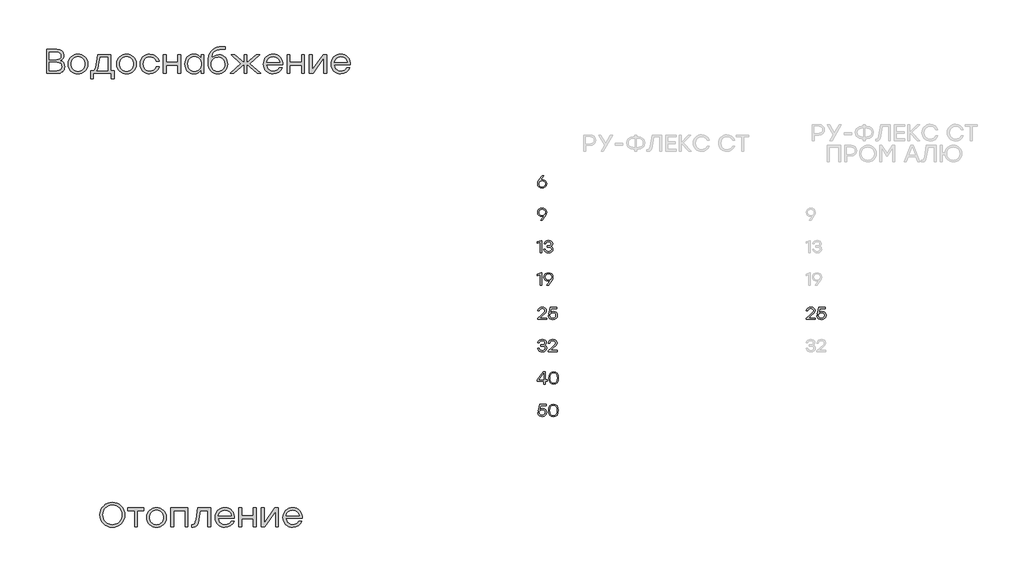
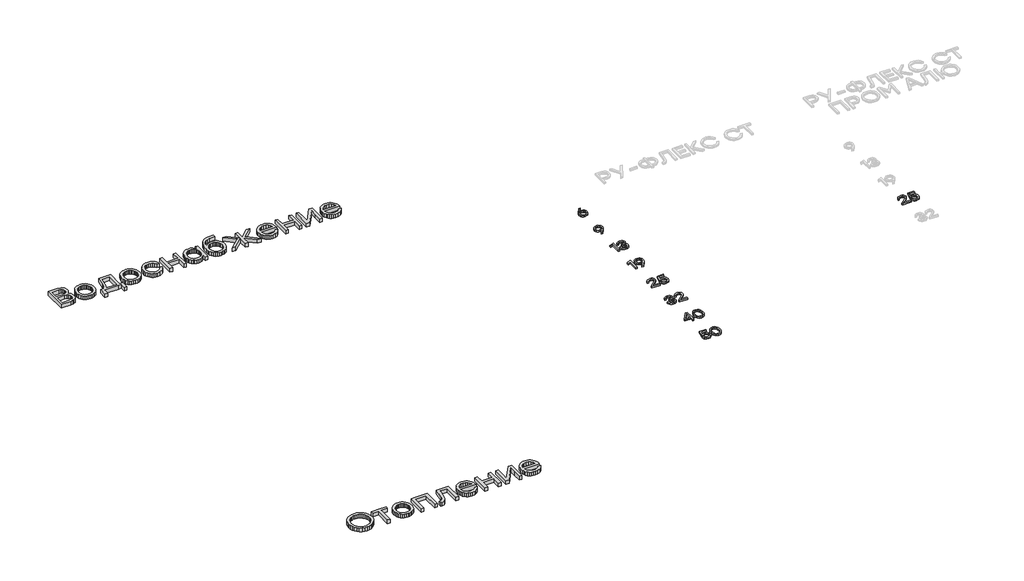
# One storey, part 31 of 41: 11 proxies.
"""IFC4 building model written with IfcOpenShell, lengths in millimetres."""

from ifc_helpers import new_model, si_unit, origin, origin_with_axes, place, context, project, spatial, polyline, outline, extrude, element, save

model = new_model("IFC4")

# Units and contexts
model_context = context("Model", 3, world=origin())
ifc_project = project(units=[si_unit("LENGTHUNIT", "METRE", prefix="MILLI")], contexts=[model_context])

# Site, building, storey
site = spatial("IfcSite", under=ifc_project)
building = spatial("IfcBuilding", under=site)
storey = spatial("IfcBuildingStorey", under=building, Elevation=0.0)

# Proxies
placement = place(None, origin())
element("IfcBuildingElementProxy", 1, Name="Generic Models", at=placement, inside=storey, context=model_context, shape_type="SweptSolid", body=[
    extrude(outline(polyline([(10092.445318, -12422.0569735), (10092.445318, -12439.2021618), (9979.9325406, -12439.2021618), (9979.9325406, -12426.3331851), (10023.4208067, -12388.4120626), (10062.10842, -12352.4273378), (10068.4622251, -12342.4629577), (10070.5801602, -12331.8531118), (10068.2756451, -12320.577629), (10061.3621001, -12311.6016187), (10050.5908876, -12305.731913), (10036.7133704, -12303.7753444), (10022.7803835, -12305.8378097), (10011.8427618, -12312.0252057), (10003.9660606, -12321.9643722), (9999.2158349, -12335.2821494), (9981.2234725, -12335.2821494), (9987.4209538, -12315.2827915), (9999.6394219, -12299.9025489), (10016.7392259, -12290.0995353), (10037.5807152, -12286.8318641), (10058.1246851, -12289.9936386), (10074.3319308, -12299.4789619), (10084.8610935, -12313.7346818), (10088.3708145, -12331.2076458), (10085.8242497, -12345.8466111), (10078.1845555, -12358.9425094), (10037.9841314, -12397.2065357), (10009.2608982, -12422.0569735), (10092.445318, -12422.0569735)])), origin_with_axes(), (0.0, 0.0, 1.0), 20.0),
    extrude(outline(polyline([(10173.5319737, -12340.203827), (10193.4203922, -12343.577395), (10209.8394314, -12353.6980988), (10220.8526936, -12369.3960316), (10224.523781, -12389.5012863), (10220.6156866, -12410.20158), (10208.8914034, -12426.877797), (10191.3276707, -12437.8759311), (10169.9012279, -12441.5419758), (10148.9437565, -12438.4911408), (10131.0925897, -12429.3386358), (10118.072332, -12414.6089019), (10111.6075874, -12394.8263801), (10129.5999498, -12394.8263801), (10134.748549, -12407.5289477), (10143.7396875, -12416.9134169), (10155.7362767, -12422.7074821), (10169.9012279, -12424.6388371), (10184.3889121, -12422.1174859), (10196.1434515, -12414.5534322), (10203.9344269, -12403.2476933), (10206.5314186, -12389.5012863), (10203.9596404, -12375.558214), (10196.2443056, -12364.6306778), (10184.5654067, -12357.5658516), (10170.102936, -12355.2109096), (10149.1051229, -12360.0821602), (10134.5216274, -12374.6959119), (10117.376439, -12374.6959119), (10135.6108512, -12289.2120197), (10217.4639976, -12289.2120197), (10217.4639976, -12306.1151584), (10149.0849521, -12306.1151584), (10139.2415969, -12352.830754), (10154.6722665, -12343.3605588), (10173.5319737, -12340.203827)])), origin_with_axes(), (0.0, 0.0, 1.0), 20.0),
])
element("IfcBuildingElementProxy", 2, Name="Generic Models", at=placement, inside=storey, context=model_context, shape_type="SweptSolid", body=[
    extrude(outline(polyline([(1295.7321962, -14745.5573715), (1319.2916028, -14726.2504929), (1345.4386326, -14712.4598654), (1374.1732856, -14704.1854888), (1405.4955619, -14701.4273633), (1436.7902568, -14704.1854888), (1465.4421661, -14712.4598654), (1491.4512896, -14726.2504929), (1514.8176275, -14745.5573715), (1534.1069543, -14768.9663349), (1547.8850449, -14795.0632169), (1556.1518993, -14823.8480177), (1558.9075174, -14855.3207371), (1556.136855, -14886.7909492), (1547.8248677, -14915.5682278), (1533.9715554, -14941.6525729), (1514.5769183, -14965.0439846), (1491.1077777, -14984.3333115), (1465.0309547, -14998.1114021), (1436.3464494, -15006.3782565), (1405.0542618, -15009.1338746), (1373.7620742, -15006.3782565), (1345.0775689, -14998.1114021), (1319.0007459, -14984.3333115), (1295.5316052, -14965.0439846), (1276.1369681, -14941.6525729), (1262.2836559, -14915.5682278), (1253.9716686, -14886.7909492), (1251.2010062, -14855.3207371), (1253.9842055, -14823.8480177), (1262.3338037, -14795.0632169), (1276.2498005, -14768.9663349), (1295.7321962, -14745.5573715)]), holes=[polyline([(1405.09438, -14735.1266423), (1381.1287767, -14737.2829949), (1359.1389942, -14743.7520529), (1339.1250326, -14754.5338163), (1321.0868918, -14769.628285), (1306.1679402, -14787.9196719), (1295.5115461, -14808.2921898), (1289.1177097, -14830.7458389), (1286.9864309, -14855.280619), (1289.1177097, -14879.8179064), (1295.5115461, -14902.2790776), (1306.1679402, -14922.6641325), (1321.0868918, -14940.9730711), (1339.1250326, -14956.0850915), (1359.1389942, -14966.8793918), (1381.1287767, -14973.355972), (1405.09438, -14975.514832), (1429.220456, -14973.3710163), (1451.2904749, -14966.9395691), (1471.3044365, -14956.2204904), (1489.262341, -14941.2137803), (1504.0759823, -14922.9825706), (1514.6571547, -14902.5899936), (1521.0058582, -14880.0360491), (1523.1220926, -14855.3207371), (1521.0058582, -14830.6054252), (1514.6571547, -14808.0514807), (1504.0759823, -14787.6589036), (1489.262341, -14769.427694), (1471.3044365, -14754.4209839), (1451.2904749, -14743.7019052), (1429.220456, -14737.270458), (1405.09438, -14735.1266423)])]), origin_with_axes(), (0.0, 0.0, 1.0), 50.0),
    extrude(outline(polyline([(1794.4012881, -14770.0294669), (1794.4012881, -14803.3275639), (1713.3625459, -14803.3275639), (1713.3625459, -15004.4801646), (1677.978303, -15004.4801646), (1677.978303, -14803.3275639), (1597.0197972, -14803.3275639), (1597.0197972, -14770.0294669), (1713.3625459, -14770.0294669), (1794.4012881, -14770.0294669)])), origin_with_axes(), (0.0, 0.0, 1.0), 50.0),
    extrude(outline(polyline([(1949.578444, -14765.3757569), (1973.9602735, -14767.5471539), (1996.3963708, -14774.0613449), (2016.8867359, -14784.9183298), (2035.4313689, -14800.1181088), (2050.8066649, -14818.5950423), (2061.7890192, -14839.283491), (2068.3784318, -14862.1834549), (2070.5749027, -14887.2949339), (2068.3909687, -14912.4039056), (2061.839167, -14935.2963473), (2050.9194973, -14955.9722591), (2035.6319599, -14974.4316409), (2017.1500116, -14989.6138682), (1996.6471095, -15000.4583162), (1974.1232536, -15006.964985), (1949.578444, -15009.1338746), (1925.174048, -15006.9499407), (1902.7504876, -15000.3981389), (1882.3077628, -14989.4784693), (1863.8458736, -14974.1909318), (1848.5583362, -14955.653821), (1837.6386665, -14934.9854314), (1831.0868648, -14912.185763), (1828.9029308, -14887.2548158), (1831.1019091, -14862.3238685), (1837.6988438, -14839.5242001), (1848.693735, -14818.8558105), (1864.0865828, -14800.3186997), (1882.6236936, -14785.0311623), (1903.051374, -14774.1114926), (1925.3696242, -14767.5596909), (1949.578444, -14765.3757569)]), holes=[polyline([(2010.0766733, -14824.0285496), (1997.0257249, -14813.1113873), (1982.5856842, -14805.3134143), (1966.7565511, -14800.6346305), (1949.5383258, -14799.0750359), (1932.3326374, -14800.6321231), (1916.5411152, -14805.3033847), (1902.1637591, -14813.0888208), (1889.2005692, -14823.9884314), (1878.4764758, -14837.2851037), (1870.816409, -14852.2617252), (1866.220369, -14868.9182959), (1864.6883556, -14887.2548158), (1866.220369, -14905.593843), (1870.816409, -14922.2579358), (1878.4764758, -14937.2470943), (1889.2005692, -14950.5613183), (1902.1662665, -14961.4784806), (1916.5511447, -14969.2764536), (1932.3552039, -14973.9552374), (1949.578444, -14975.514832), (1966.9420978, -14973.9552374), (1982.8464524, -14969.2764536), (1997.2915079, -14961.4784806), (2010.2772643, -14950.5613183), (2021.0013577, -14937.2470943), (2028.6614245, -14922.2579358), (2033.2574645, -14905.593843), (2034.7894779, -14887.2548158), (2033.2449276, -14868.9208033), (2028.6112767, -14852.2717548), (2020.8885253, -14837.3076702), (2010.0766733, -14824.0285496)])]), origin_with_axes(), (0.0, 0.0, 1.0), 50.0),
    extrude(outline(polyline([(2338.5644066, -14770.0294669), (2338.5644066, -15004.4801646), (2303.1801637, -15004.4801646), (2303.1801637, -14803.3275639), (2161.2420103, -14803.3275639), (2161.2420103, -15004.4801646), (2125.8577674, -15004.4801646), (2125.8577674, -14770.0294669), (2161.2420103, -14770.0294669), (2338.5644066, -14770.0294669)])), origin_with_axes(), (0.0, 0.0, 1.0), 50.0),
    extrude(outline(polyline([(2461.1655928, -14770.0294669), (2620.5150404, -14770.0294669), (2620.5150404, -15004.4801646), (2585.1307975, -15004.4801646), (2585.1307975, -14803.3275639), (2490.9332892, -14803.3275639), (2473.5219951, -14913.2514024), (2462.7703204, -14957.481706), (2447.6858813, -14986.9886341), (2427.6067276, -15003.5975645), (2401.8709092, -15009.1338746), (2382.6944147, -15007.8500925), (2382.6944147, -14975.514832), (2395.050817, -14976.3171958), (2411.1682995, -14972.857002), (2422.7724858, -14962.4764205), (2431.3878669, -14942.7282419), (2438.5389341, -14911.1652565), (2461.1655928, -14770.0294669)])), origin_with_axes(), (0.0, 0.0, 1.0), 50.0),
    extrude(outline(polyline([(2795.992, -14765.3757569), (2821.8857838, -14767.6925824), (2845.0063977, -14774.6430586), (2865.3538418, -14786.2271858), (2882.928116, -14802.4449638), (2896.9619601, -14822.313497), (2906.6881136, -14844.8498898), (2912.1065765, -14870.0541421), (2913.2173489, -14897.9262541), (2712.4659301, -14897.9262541), (2720.2488588, -14930.341751), (2728.0518466, -14943.6609898), (2738.4625167, -14955.0545555), (2764.9806398, -14970.7006493), (2797.676964, -14975.9160139), (2821.9384389, -14973.3584794), (2842.2482722, -14965.6858757), (2858.6064638, -14952.8982029), (2871.0130138, -14934.9954609), (2907.6810388, -14934.9954609), (2889.4372922, -14966.9295395), (2863.7516216, -14990.1980893), (2832.2086953, -15004.3999283), (2796.3931819, -15009.1338746), (2771.3519097, -15007.0176401), (2748.6224481, -15000.6689367), (2728.2047972, -14990.0877643), (2710.0989569, -14975.2741229), (2695.2677638, -14957.1306718), (2684.6740545, -14936.5600703), (2678.3178289, -14913.5623183), (2676.199087, -14888.1374159), (2678.305292, -14862.657351), (2684.6239068, -14839.4941115), (2695.1549314, -14818.6476974), (2709.898366, -14800.1181088), (2727.9164477, -14784.9183298), (2748.2714139, -14774.0613449), (2770.9632647, -14767.5471539), (2795.992, -14765.3757569)]), holes=[polyline([(2795.992, -14798.5936176), (2766.8561651, -14803.1771207), (2742.5144538, -14816.9276301), (2724.4512391, -14838.0398271), (2714.150894, -14864.7083934), (2874.86436, -14864.7083934), (2865.1356991, -14837.7890885), (2847.9851732, -14816.7270391), (2824.5561507, -14803.126973), (2795.992, -14798.5936176)])]), origin_with_axes(), (0.0, 0.0, 1.0), 50.0),
    extrude(outline(polyline([(3147.4273375, -14770.0294669), (3182.8115804, -14770.0294669), (3182.8115804, -15004.4801646), (3147.4273375, -15004.4801646), (3147.4273375, -14901.296182), (3003.4030383, -14901.296182), (3003.4030383, -15004.4801646), (2968.0187954, -15004.4801646), (2968.0187954, -14770.0294669), (3003.4030383, -14770.0294669), (3003.4030383, -14867.6771394), (3147.4273375, -14867.6771394), (3147.4273375, -14770.0294669)])), origin_with_axes(), (0.0, 0.0, 1.0), 50.0),
    extrude(outline(polyline([(3413.6516412, -14770.0294669), (3457.1397583, -14770.0294669), (3457.1397583, -15004.4801646), (3421.7555154, -15004.4801646), (3421.7555154, -14891.9887621), (3423.9218976, -14813.1164021), (3288.8038363, -15004.4801646), (3245.3157192, -15004.4801646), (3245.3157192, -14770.0294669), (3280.6999621, -14770.0294669), (3280.6999621, -14882.6011058), (3278.5335799, -14960.9920475), (3413.6516412, -14770.0294669)])), origin_with_axes(), (0.0, 0.0, 1.0), 50.0),
    extrude(outline(polyline([(3633.0178998, -14765.3757569), (3658.9116835, -14767.6925824), (3682.0322974, -14774.6430586), (3702.3797415, -14786.2271858), (3719.9540158, -14802.4449638), (3733.9878599, -14822.313497), (3743.7140134, -14844.8498898), (3749.1324763, -14870.0541421), (3750.2432487, -14897.9262541), (3549.4918298, -14897.9262541), (3557.2747585, -14930.341751), (3565.0777463, -14943.6609898), (3575.4884164, -14955.0545555), (3602.0065395, -14970.7006493), (3634.7028637, -14975.9160139), (3658.9643386, -14973.3584794), (3679.2741719, -14965.6858757), (3695.6323636, -14952.8982029), (3708.0389136, -14934.9954609), (3744.7069385, -14934.9954609), (3726.463192, -14966.9295395), (3700.7775214, -14990.1980893), (3669.2345951, -15004.3999283), (3633.4190817, -15009.1338746), (3608.3778094, -15007.0176401), (3585.6483479, -15000.6689367), (3565.2306969, -14990.0877643), (3547.1248567, -14975.2741229), (3532.2936636, -14957.1306718), (3521.6999543, -14936.5600703), (3515.3437286, -14913.5623183), (3513.2249868, -14888.1374159), (3515.3311917, -14862.657351), (3521.6498065, -14839.4941115), (3532.1808312, -14818.6476974), (3546.9242657, -14800.1181088), (3564.9423475, -14784.9183298), (3585.2973137, -14774.0613449), (3607.9891645, -14767.5471539), (3633.0178998, -14765.3757569)]), holes=[polyline([(3633.0178998, -14798.5936176), (3603.8820649, -14803.1771207), (3579.5403536, -14816.9276301), (3561.4771389, -14838.0398271), (3551.1767938, -14864.7083934), (3711.8902598, -14864.7083934), (3702.1615989, -14837.7890885), (3685.011073, -14816.7270391), (3661.5820505, -14803.126973), (3633.0178998, -14798.5936176)])]), origin_with_axes(), (0.0, 0.0, 1.0), 50.0),
])
element("IfcBuildingElementProxy", 3, Name="Generic Models", at=placement, inside=storey, context=model_context, shape_type="SweptSolid", body=[
    extrude(outline(polyline([(762.3144911, -9241.4529162), (784.8859873, -9251.6379215), (801.0084846, -9267.6701529), (810.681983, -9289.5496103), (813.9064824, -9317.2762938), (812.3468878, -9335.6378876), (807.668104, -9351.8882616), (799.870131, -9366.0274159), (788.9529687, -9378.0553505), (775.0520162, -9387.6561347), (758.3026722, -9394.5138376), (716.2588099, -9400.0), (590.9295868, -9400.0), (590.9295868, -9101.681145), (714.172664, -9101.681145), (753.3982235, -9106.6357414), (768.9114258, -9112.8289868), (781.6915765, -9121.4995305), (791.6784982, -9132.431737), (798.8120137, -9145.4099712), (804.5188261, -9177.5045226), (801.8810552, -9198.9226209), (793.9677424, -9216.7200526), (780.7788877, -9230.8968177), (762.3144911, -9241.4529162)]), holes=[polyline([(768.7334014, -9182.6396508), (765.3233553, -9162.0790789), (755.093217, -9147.255408), (736.9798546, -9138.2889927), (709.920136, -9135.3001876), (626.3138297, -9135.3001876), (626.3138297, -9229.4976958), (709.0375358, -9229.4976958), (736.7592046, -9226.5189203), (755.093217, -9217.5825936), (765.3233553, -9202.8893068), (768.7334014, -9182.6396508)]), polyline([(715.857628, -9366.3007211), (743.2733955, -9363.0812364), (762.8560866, -9353.4227823), (774.6057013, -9337.3253589), (778.5222395, -9314.7889661), (774.7912479, -9291.9316278), (763.5982731, -9275.3527861), (743.9804786, -9265.2730911), (714.9750278, -9261.9131927), (626.3138297, -9261.9131927), (626.3138297, -9366.3007211), (715.857628, -9366.3007211)])]), origin_with_axes(), (0.0, 0.0, 1.0), 50.0),
    extrude(outline(polyline([(978.7120037, -9160.8955923), (1003.0938332, -9163.0669893), (1025.5299305, -9169.5811803), (1046.0202957, -9180.4381652), (1064.5649286, -9195.6379441), (1079.9402246, -9214.1148777), (1090.9225789, -9234.8033264), (1097.5119915, -9257.7032902), (1099.7084624, -9282.8147693), (1097.5245285, -9307.923741), (1090.9727267, -9330.8161827), (1080.0530571, -9351.4920945), (1064.7655196, -9369.9514763), (1046.2835713, -9385.1337035), (1025.7806692, -9395.9781515), (1003.2568133, -9402.4848203), (978.7120037, -9404.6537099), (954.3076077, -9402.469776), (931.8840474, -9395.9179742), (911.4413226, -9384.9983046), (892.9794334, -9369.7107671), (877.6918959, -9351.1736563), (866.7722263, -9330.5052667), (860.2204245, -9307.7055983), (858.0364906, -9282.7746511), (860.2354688, -9257.8437039), (866.8324035, -9235.0440355), (877.8272948, -9214.3756459), (893.2201425, -9195.8385351), (911.7572533, -9180.5509976), (932.1849338, -9169.631328), (954.5031839, -9163.0795262), (978.7120037, -9160.8955923)]), holes=[polyline([(1039.210233, -9219.5483849), (1026.1592846, -9208.6312227), (1011.7192439, -9200.8332496), (995.8901109, -9196.1544658), (978.6718855, -9194.5948712), (961.4661971, -9196.1519584), (945.6746749, -9200.8232201), (931.2973188, -9208.6086562), (918.3341289, -9219.5082667), (907.6100355, -9232.8049391), (899.9499687, -9247.7815606), (895.3539287, -9264.4381313), (893.8219153, -9282.7746511), (895.3539287, -9301.1136784), (899.9499687, -9317.7777712), (907.6100355, -9332.7669297), (918.3341289, -9346.0811537), (931.2998262, -9356.9983159), (945.6847044, -9364.796289), (961.4887636, -9369.4750728), (978.7120037, -9371.0346674), (996.0756575, -9369.4750728), (1011.9800121, -9364.796289), (1026.4250676, -9356.9983159), (1039.410824, -9346.0811537), (1050.1349174, -9332.7669297), (1057.7949842, -9317.7777712), (1062.3910242, -9301.1136784), (1063.9230376, -9282.7746511), (1062.3784873, -9264.4406386), (1057.7448365, -9247.7915901), (1050.022085, -9232.8275055), (1039.210233, -9219.5483849)])]), origin_with_axes(), (0.0, 0.0, 1.0), 50.0),
    extrude(outline(polyline([(1383.9057148, -9366.7821393), (1426.5112317, -9366.7821393), (1426.5112317, -9462.6646116), (1391.1269888, -9462.6646116), (1391.1269888, -9400.0), (1348.5214719, -9400.0), (1169.9152935, -9400.0), (1169.9152935, -9462.6646116), (1134.5310506, -9462.6646116), (1134.5310506, -9366.7821393), (1174.5690035, -9366.7821393), (1183.5454483, -9357.2089364), (1191.2982884, -9341.7283302), (1203.1331542, -9293.0449076), (1223.5934307, -9165.5493022), (1383.9057148, -9165.5493022), (1383.9057148, -9366.7821393)]), holes=[polyline([(1214.2057744, -9366.7821393), (1348.5214719, -9366.7821393), (1348.5214719, -9198.8473993), (1253.8425453, -9198.8473993), (1238.5173971, -9293.8472713), (1228.1869633, -9338.518875), (1214.2057744, -9366.7821393)])]), origin_with_axes(), (0.0, 0.0, 1.0), 50.0),
    extrude(outline(polyline([(1579.5220054, -9160.8955923), (1603.9038349, -9163.0669893), (1626.3399322, -9169.5811803), (1646.8302973, -9180.4381652), (1665.3749303, -9195.6379441), (1680.7502263, -9214.1148777), (1691.7325806, -9234.8033264), (1698.3219932, -9257.7032902), (1700.518464, -9282.8147693), (1698.3345301, -9307.923741), (1691.7827283, -9330.8161827), (1680.8630587, -9351.4920945), (1665.5755212, -9369.9514763), (1647.0935729, -9385.1337035), (1626.5906709, -9395.9781515), (1604.066815, -9402.4848203), (1579.5220054, -9404.6537099), (1555.1176094, -9402.469776), (1532.694049, -9395.9179742), (1512.2513242, -9384.9983046), (1493.789435, -9369.7107671), (1478.5018975, -9351.1736563), (1467.5822279, -9330.5052667), (1461.0304261, -9307.7055983), (1458.8464922, -9282.7746511), (1461.0454705, -9257.8437039), (1467.6424052, -9235.0440355), (1478.6372964, -9214.3756459), (1494.0301442, -9195.8385351), (1512.567255, -9180.5509976), (1532.9949354, -9169.631328), (1555.3131856, -9163.0795262), (1579.5220054, -9160.8955923)]), holes=[polyline([(1640.0202347, -9219.5483849), (1626.9692863, -9208.6312227), (1612.5292455, -9200.8332496), (1596.7001125, -9196.1544658), (1579.4818872, -9194.5948712), (1562.2761988, -9196.1519584), (1546.4846766, -9200.8232201), (1532.1073205, -9208.6086562), (1519.1441306, -9219.5082667), (1508.4200372, -9232.8049391), (1500.7599704, -9247.7815606), (1496.1639303, -9264.4381313), (1494.631917, -9282.7746511), (1496.1639303, -9301.1136784), (1500.7599704, -9317.7777712), (1508.4200372, -9332.7669297), (1519.1441306, -9346.0811537), (1532.1098279, -9356.9983159), (1546.4947061, -9364.796289), (1562.2987653, -9369.4750728), (1579.5220054, -9371.0346674), (1596.8856591, -9369.4750728), (1612.7900138, -9364.796289), (1627.2350693, -9356.9983159), (1640.2208257, -9346.0811537), (1650.9449191, -9332.7669297), (1658.6049859, -9317.7777712), (1663.2010259, -9301.1136784), (1664.7330393, -9282.7746511), (1663.188489, -9264.4406386), (1658.5548381, -9247.7915901), (1650.8320867, -9232.8275055), (1640.0202347, -9219.5483849)])]), origin_with_axes(), (0.0, 0.0, 1.0), 50.0),
    extrude(outline(polyline([(1867.4903676, -9404.6537099), (1842.7474744, -9402.4848203), (1820.1107861, -9395.9781515), (1799.5803028, -9385.1337035), (1781.1560244, -9369.9514763), (1765.9562454, -9351.4920945), (1755.0992605, -9330.8161827), (1748.5850695, -9307.923741), (1746.4136725, -9282.8147693), (1748.5850695, -9257.7032902), (1755.0992605, -9234.8033264), (1765.9562454, -9214.1148777), (1781.1560244, -9195.6379441), (1799.5803028, -9180.4381652), (1820.1107861, -9169.5811803), (1842.7474744, -9163.0669893), (1867.4903676, -9160.8955923), (1906.6758089, -9166.7528479), (1924.3654229, -9174.0744174), (1940.7862992, -9184.3246148), (1955.1561331, -9197.0521103), (1966.6926199, -9211.8055744), (1975.3957596, -9228.585007), (1981.2655522, -9247.3904082), (1944.5975272, -9247.3904082), (1933.304257, -9225.2351382), (1915.6321946, -9208.1949374), (1893.1660086, -9197.3329376), (1867.4903676, -9193.7122711), (1849.7656501, -9195.2844026), (1833.6607045, -9200.0007972), (1819.1755308, -9207.8614549), (1806.310129, -9218.8663757), (1795.7615526, -9232.2959395), (1788.2268552, -9247.4305264), (1783.7060368, -9264.2701363), (1782.1990973, -9282.8147693), (1783.7060368, -9301.3568949), (1788.2268552, -9318.1889826), (1795.7615526, -9333.3110326), (1806.310129, -9346.7230447), (1819.1755308, -9357.7104138), (1833.6607045, -9365.5585346), (1849.7656501, -9370.267407), (1867.4903676, -9371.8370312), (1893.1158609, -9368.2163646), (1915.4316037, -9357.3543649), (1933.0535183, -9340.314164), (1944.5975272, -9318.158894), (1981.2655522, -9318.158894), (1975.1876465, -9337.1272753), (1966.3415858, -9353.9944665), (1954.72737, -9368.7604675), (1940.3449992, -9381.4252784), (1906.3648929, -9398.8466021), (1867.4903676, -9404.6537099)])), origin_with_axes(), (0.0, 0.0, 1.0), 50.0),
    extrude(outline(polyline([(2212.5067948, -9165.5493022), (2247.8910377, -9165.5493022), (2247.8910377, -9400.0), (2212.5067948, -9400.0), (2212.5067948, -9296.8160173), (2068.4824955, -9296.8160173), (2068.4824955, -9400.0), (2033.0982526, -9400.0), (2033.0982526, -9165.5493022), (2068.4824955, -9165.5493022), (2068.4824955, -9263.1969748), (2212.5067948, -9263.1969748), (2212.5067948, -9165.5493022)])), origin_with_axes(), (0.0, 0.0, 1.0), 50.0),
    extrude(outline(polyline([(2500.9565752, -9165.5493022), (2536.2605817, -9165.5493022), (2536.2605817, -9400.0), (2500.9565752, -9400.0), (2500.9565752, -9352.6605367), (2484.5582654, -9374.3544475), (2463.6065411, -9390.8129347), (2438.7232342, -9401.1935161), (2410.5301767, -9404.6537099), (2387.7129566, -9402.5098942), (2367.0019414, -9396.078447), (2348.3971312, -9385.3593683), (2331.8985259, -9370.3526582), (2318.3837109, -9352.0161383), (2308.7302716, -9331.3076305), (2302.938208, -9308.2271348), (2301.0075202, -9282.7746511), (2302.938208, -9257.3221674), (2308.7302716, -9234.2416717), (2318.3837109, -9213.5331639), (2331.8985259, -9195.1966441), (2348.3971312, -9180.1899339), (2367.0019414, -9169.4708552), (2387.7129566, -9163.039408), (2410.5301767, -9160.8955923), (2438.7834115, -9164.4159634), (2463.8472502, -9174.9770767), (2484.8591518, -9191.7163911), (2500.9565752, -9213.7713657), (2500.9565752, -9165.5493022)]), holes=[polyline([(2417.3502689, -9371.0346674), (2434.7089079, -9369.4750728), (2450.5179818, -9364.796289), (2464.7774907, -9356.9983159), (2477.4874345, -9346.0811537), (2487.9307007, -9332.7669297), (2495.3901765, -9317.7777712), (2499.865862, -9301.1136784), (2501.3577571, -9282.7746511), (2499.865862, -9264.4381313), (2495.3901765, -9247.7815606), (2487.9307007, -9232.8049391), (2477.4874345, -9219.5082667), (2464.7774907, -9208.6086562), (2450.5179818, -9200.8232201), (2434.7089079, -9196.1519584), (2417.3502689, -9194.5948712), (2400.2950237, -9196.1519584), (2384.9147129, -9200.8232201), (2371.2093365, -9208.6086562), (2359.1788946, -9219.5082667), (2349.3850416, -9232.8049391), (2342.3894324, -9247.7815606), (2336.792945, -9282.7746511), (2342.4496097, -9318.0786576), (2349.5204405, -9333.0828604), (2359.4196037, -9346.3218628), (2371.5252673, -9357.1337148), (2385.2155994, -9364.8564662), (2400.4905999, -9369.4901171), (2417.3502689, -9371.0346674)])]), origin_with_axes(), (0.0, 0.0, 1.0), 50.0),
    extrude(outline(polyline([(2719.4402337, -9169.4006484), (2741.8587793, -9171.3864988), (2762.2563711, -9177.3440499), (2780.6330092, -9187.2733017), (2796.9886934, -9201.1742543), (2810.4157499, -9218.2445438), (2820.0065045, -9237.6818064), (2825.7609573, -9259.4860423), (2827.6791082, -9283.6572513), (2825.5628737, -9309.2451338), (2819.2141703, -9332.3306443), (2808.6329979, -9352.9137828), (2793.8193565, -9370.9945492), (2775.8062895, -9385.720432), (2755.6268404, -9396.2389198), (2733.281009, -9402.5500124), (2708.7687954, -9404.6537099), (2684.0685277, -9402.4447022), (2661.5597162, -9395.8176788), (2641.2423608, -9384.7726398), (2623.1164614, -9369.3095853), (2608.1849728, -9349.7695197), (2597.4508498, -9326.4934478), (2590.9140924, -9299.4813695), (2588.5747005, -9268.7332849), (2590.9216145, -9221.694708), (2597.9623568, -9181.9977598), (2609.0550361, -9149.4418493), (2623.5577615, -9123.8263855), (2642.5838127, -9104.0180295), (2667.2464695, -9088.8834426), (2695.5297929, -9078.1618566), (2725.4178439, -9071.5925031), (2799.9975576, -9067.0992659), (2799.9975576, -9100.397363), (2724.7759529, -9105.291782), (2697.1946978, -9112.3726424), (2672.7827796, -9123.8263855), (2652.9443351, -9140.2347248), (2639.0835007, -9162.1793743), (2630.1872922, -9190.522875), (2625.2427254, -9226.1277679), (2641.2097647, -9201.9866476), (2663.5957143, -9184.1240238), (2690.3545465, -9173.0814923), (2719.4402337, -9169.4006484)]), holes=[polyline([(2647.7891478, -9349.531318), (2660.3386188, -9360.2378597), (2674.4777731, -9367.8853895), (2690.2066107, -9372.4739074), (2707.5251315, -9374.0034134), (2724.8912927, -9372.4714), (2740.7630513, -9367.87536), (2755.1404073, -9360.2152932), (2768.0233608, -9349.4911998), (2778.642144, -9336.2898081), (2786.2269892, -9321.1978468), (2790.7778963, -9304.2153159), (2792.2948653, -9285.3422152), (2786.5980824, -9250.9709566), (2779.4771039, -9236.4707386), (2769.5077338, -9223.7607948), (2757.3268486, -9213.4228389), (2743.5713245, -9206.0385847), (2728.2411615, -9201.6080322), (2711.3363595, -9200.1311813), (2678.0984397, -9206.0385847), (2663.3901086, -9213.4228389), (2649.95553, -9223.7607948), (2638.7575404, -9236.4456647), (2630.7589764, -9250.8706611), (2625.9598381, -9267.035784), (2624.3601253, -9284.9410333), (2625.8244392, -9303.9921584), (2630.2173809, -9321.1075809), (2637.5389504, -9336.2873008), (2647.7891478, -9349.531318)])]), origin_with_axes(), (0.0, 0.0, 1.0), 50.0),
    extrude(outline(polyline([(3238.8103113, -9400.0), (3192.3534481, -9400.0), (3067.1044614, -9286.6259973), (3067.1044614, -9400.0), (3031.7202185, -9400.0), (3031.7202185, -9286.6259973), (2906.3909954, -9400.0), (2859.9341323, -9400.0), (2994.1695934, -9276.8371591), (2870.6055706, -9165.5493022), (2917.0624338, -9165.5493022), (3031.7202185, -9270.4182488), (3031.7202185, -9165.5493022), (3067.1044614, -9165.5493022), (3067.1044614, -9270.4182488), (3181.7622462, -9165.5493022), (3228.2191093, -9165.5493022), (3104.5748501, -9276.8371591), (3238.8103113, -9400.0)])), origin_with_axes(), (0.0, 0.0, 1.0), 50.0),
    extrude(outline(polyline([(3391.3396666, -9160.8955923), (3417.2334504, -9163.2124177), (3440.3540643, -9170.162894), (3460.7015084, -9181.7470211), (3478.2757827, -9197.9647991), (3492.3096267, -9217.8333323), (3502.0357802, -9240.3697251), (3507.4542432, -9265.5739775), (3508.5650155, -9293.4460894), (3307.8135967, -9293.4460894), (3315.5965254, -9325.8615863), (3323.3995132, -9339.1808252), (3333.8101833, -9350.5743909), (3360.3283064, -9366.2204847), (3393.0246306, -9371.4358493), (3417.2861055, -9368.8783147), (3437.5959388, -9361.205711), (3453.9541305, -9348.4180382), (3466.3606805, -9330.5152963), (3503.0287054, -9330.5152963), (3484.7849589, -9362.4493749), (3459.0992882, -9385.7179246), (3427.556362, -9399.9197636), (3391.7408485, -9404.6537099), (3366.6995763, -9402.5374755), (3343.9701147, -9396.188772), (3323.5524638, -9385.6075996), (3305.4466235, -9370.7939583), (3290.6154305, -9352.6505072), (3280.0217211, -9332.0799057), (3273.6654955, -9309.0821537), (3271.5467537, -9283.6572513), (3273.6529586, -9258.1771864), (3279.9715734, -9235.0139469), (3290.5025981, -9214.1675328), (3305.2460326, -9195.6379441), (3323.2641143, -9180.4381652), (3343.6190806, -9169.5811803), (3366.3109313, -9163.0669893), (3391.3396666, -9160.8955923)]), holes=[polyline([(3391.3396666, -9194.113453), (3362.2038317, -9198.6969561), (3337.8621204, -9212.4474654), (3319.7989057, -9233.5596625), (3309.4985606, -9260.2282288), (3470.2120266, -9260.2282288), (3460.4833658, -9233.3089238), (3443.3328399, -9212.2468745), (3419.9038174, -9198.6468083), (3391.3396666, -9194.113453)])]), origin_with_axes(), (0.0, 0.0, 1.0), 50.0),
    extrude(outline(polyline([(3742.7750042, -9165.5493022), (3778.159247, -9165.5493022), (3778.159247, -9400.0), (3742.7750042, -9400.0), (3742.7750042, -9296.8160173), (3598.7507049, -9296.8160173), (3598.7507049, -9400.0), (3563.366462, -9400.0), (3563.366462, -9165.5493022), (3598.7507049, -9165.5493022), (3598.7507049, -9263.1969748), (3742.7750042, -9263.1969748), (3742.7750042, -9165.5493022)])), origin_with_axes(), (0.0, 0.0, 1.0), 50.0),
    extrude(outline(polyline([(4008.9993078, -9165.5493022), (4052.4874249, -9165.5493022), (4052.4874249, -9400.0), (4017.103182, -9400.0), (4017.103182, -9287.5085974), (4019.2695642, -9208.6362375), (3884.1515029, -9400.0), (3840.6633858, -9400.0), (3840.6633858, -9165.5493022), (3876.0476287, -9165.5493022), (3876.0476287, -9278.1209412), (3873.8812465, -9356.5118829), (4008.9993078, -9165.5493022)])), origin_with_axes(), (0.0, 0.0, 1.0), 50.0),
    extrude(outline(polyline([(4228.3655664, -9160.8955923), (4254.2593501, -9163.2124177), (4277.3799641, -9170.162894), (4297.7274082, -9181.7470211), (4315.3016824, -9197.9647991), (4329.3355265, -9217.8333323), (4339.06168, -9240.3697251), (4344.4801429, -9265.5739775), (4345.5909153, -9293.4460894), (4144.8394965, -9293.4460894), (4152.6224252, -9325.8615863), (4160.425413, -9339.1808252), (4170.8360831, -9350.5743909), (4197.3542061, -9366.2204847), (4230.0505303, -9371.4358493), (4254.3120053, -9368.8783147), (4274.6218386, -9361.205711), (4290.9800302, -9348.4180382), (4303.3865802, -9330.5152963), (4340.0546052, -9330.5152963), (4321.8108586, -9362.4493749), (4296.125188, -9385.7179246), (4264.5822617, -9399.9197636), (4228.7667483, -9404.6537099), (4203.7254761, -9402.5374755), (4180.9960145, -9396.188772), (4160.5783636, -9385.6075996), (4142.4725233, -9370.7939583), (4127.6413302, -9352.6505072), (4117.0476209, -9332.0799057), (4110.6913953, -9309.0821537), (4108.5726534, -9283.6572513), (4110.6788583, -9258.1771864), (4116.9974731, -9235.0139469), (4127.5284978, -9214.1675328), (4142.2719323, -9195.6379441), (4160.2900141, -9180.4381652), (4180.6449803, -9169.5811803), (4203.3368311, -9163.0669893), (4228.3655664, -9160.8955923)]), holes=[polyline([(4228.3655664, -9194.113453), (4199.2297315, -9198.6969561), (4174.8880202, -9212.4474654), (4156.8248055, -9233.5596625), (4146.5244604, -9260.2282288), (4307.2379264, -9260.2282288), (4297.5092655, -9233.3089238), (4280.3587396, -9212.2468745), (4256.9297171, -9198.6468083), (4228.3655664, -9194.113453)])]), origin_with_axes(), (0.0, 0.0, 1.0), 50.0),
])
element("IfcBuildingElementProxy", 4, Name="Generic Models", at=placement, inside=storey, context=model_context, shape_type="SweptSolid", body=[
    extrude(outline(polyline([(6720.7677032, -10714.2674293), (6740.4342428, -10717.6157837), (6756.9944777, -10727.660847), (6768.2497896, -10743.4949328), (6772.0015602, -10764.2103545), (6767.9825264, -10785.7275659), (6755.9254248, -10802.7567722), (6737.8675072, -10813.8456749), (6715.8460256, -10817.5419758), (6694.0060812, -10813.8759311), (6676.0086761, -10802.877797), (6663.9515745, -10785.7174805), (6659.9325406, -10763.5648886), (6662.5547459, -10745.7187646), (6670.4213618, -10727.7617011), (6712.2152798, -10668.1972996), (6714.5550937, -10665.2120197), (6735.3713695, -10665.2120197), (6692.6899359, -10722.2147284), (6706.6884779, -10716.2542541), (6720.7677032, -10714.2674293)]), holes=[polyline([(6715.8460256, -10800.6388371), (6730.9539622, -10798.1174859), (6743.278327, -10790.5534322), (6751.4777612, -10778.9249603), (6754.2109059, -10764.2103545), (6751.4777612, -10749.3948947), (6743.278327, -10737.9479601), (6731.0043892, -10730.6259561), (6716.0477337, -10728.1852881), (6700.7179182, -10730.6511696), (6688.534749, -10738.0488141), (6680.5773645, -10749.5713892), (6677.924903, -10764.4120626), (6680.6277916, -10779.252736), (6688.7364571, -10790.7753111), (6700.9196263, -10798.1729556), (6715.8460256, -10800.6388371)])]), origin_with_axes(), (0.0, 0.0, 1.0), 20.0),
])
element("IfcBuildingElementProxy", 5, Name="Generic Models", at=placement, inside=storey, context=model_context, shape_type="SweptSolid", body=[
    extrude(outline(polyline([(6716.0477337, -11062.8318641), (6737.9179343, -11066.477738), (6755.9254248, -11077.4153597), (6767.9825264, -11094.5655908), (6772.0015602, -11116.849293), (6769.3743122, -11134.6903743), (6761.4925683, -11152.6323096), (6719.7188211, -11212.216882), (6717.3386655, -11215.2021618), (6696.5627313, -11215.2021618), (6739.2038234, -11158.1994532), (6725.2254522, -11164.1599275), (6711.1260561, -11166.1467523), (6691.4645592, -11162.7983978), (6674.9194524, -11152.7533345), (6663.6792686, -11136.9192488), (6659.9325406, -11116.203827), (6663.9515745, -11094.6563594), (6676.0086761, -11077.6170678), (6694.0565082, -11066.528165), (6716.0477337, -11062.8318641)]), holes=[polyline([(6715.8460256, -11152.1885518), (6731.2313108, -11149.727713), (6743.5002059, -11142.3451966), (6751.5332309, -11130.8377496), (6754.2109059, -11116.0021189), (6751.4777612, -11101.1614456), (6743.278327, -11089.6388704), (6731.0094319, -11082.2412259), (6716.0679045, -11079.7753444), (6701.1263771, -11082.291653), (6688.857482, -11089.8405785), (6680.6580478, -11101.4640077), (6677.924903, -11116.203827), (6680.6277916, -11131.0142442), (6688.7364571, -11142.4460507), (6700.9196263, -11149.7529265), (6715.8460256, -11152.1885518)])]), origin_with_axes(), (0.0, 0.0, 1.0), 20.0),
])
element("IfcBuildingElementProxy", 6, Name="Generic Models", at=placement, inside=storey, context=model_context, shape_type="SweptSolid", body=[
    extrude(outline(polyline([(6701.9281668, -11465.2120197), (6710.077174, -11465.2120197), (6710.077174, -11615.2021618), (6692.2865197, -11615.2021618), (6692.2865197, -11485.9879539), (6657.7944348, -11499.9058127), (6657.7944348, -11482.3572081), (6701.9281668, -11465.2120197)])), origin_with_axes(), (0.0, 0.0, 1.0), 20.0),
    extrude(outline(polyline([(6823.1143924, -11536.1325872), (6834.32432, -11541.5988767), (6842.7002488, -11549.8487379), (6847.9194458, -11560.5090109), (6849.6591782, -11573.2065357), (6845.9628773, -11591.4560759), (6834.8739746, -11605.5403439), (6817.7842559, -11614.5415678), (6796.0855072, -11617.5419758), (6774.6994061, -11614.6525073), (6756.7725988, -11605.9841017), (6743.8279816, -11591.7989797), (6737.3884505, -11572.3593617), (6755.3808129, -11572.3593617), (6760.2419781, -11584.7316322), (6768.6128642, -11593.5689683), (6780.4934712, -11598.8713699), (6795.8837991, -11600.6388371), (6810.7950703, -11598.7074821), (6822.1260227, -11592.9134169), (6829.2816175, -11583.8012536), (6831.6668158, -11571.9156039), (6829.6598202, -11561.134306), (6823.6388335, -11552.7533345), (6813.2710372, -11547.3677283), (6798.2236131, -11545.5725262), (6777.4476789, -11545.5725262), (6777.4476789, -11529.9199777), (6793.1002273, -11529.9199777), (6807.8198758, -11528.4727221), (6818.3339105, -11524.1309553), (6824.6423313, -11516.8946773), (6826.7451382, -11506.763888), (6824.4658367, -11495.6245583), (6817.6279321, -11487.0570068), (6807.038257, -11481.59576), (6793.5036435, -11479.7753444), (6780.6649231, -11481.3032833), (6770.3878954, -11485.8870998), (6762.7229877, -11494.0008081), (6757.7206268, -11506.1184221), (6739.7282645, -11506.1184221), (6746.3997598, -11486.9158111), (6758.2652387, -11473.4417101), (6774.4170147, -11465.4843256), (6793.9474014, -11462.8318641), (6813.9618874, -11465.7515889), (6830.2750299, -11474.5107631), (6841.1218829, -11487.8789673), (6844.7375006, -11504.6257822), (6839.1703571, -11523.9090764), (6832.3727941, -11531.1403117), (6823.1143924, -11536.1325872)])), origin_with_axes(), (0.0, 0.0, 1.0), 20.0),
])
element("IfcBuildingElementProxy", 7, Name="Generic Models", at=placement, inside=storey, context=model_context, shape_type="SweptSolid", body=[
    extrude(outline(polyline([(6701.9281668, -11865.2120197), (6710.077174, -11865.2120197), (6710.077174, -12015.2021618), (6692.2865197, -12015.2021618), (6692.2865197, -11885.9879539), (6657.7944348, -11899.9058127), (6657.7944348, -11882.3572081), (6701.9281668, -11865.2120197)])), origin_with_axes(), (0.0, 0.0, 1.0), 20.0),
    extrude(outline(polyline([(6793.5036435, -11862.8318641), (6815.3738441, -11866.477738), (6833.3813346, -11877.4153597), (6845.4384362, -11894.5655908), (6849.4574701, -11916.849293), (6846.8302221, -11934.6903743), (6838.9484782, -11952.6323096), (6797.1747309, -12012.216882), (6794.7945754, -12015.2021618), (6774.0186412, -12015.2021618), (6816.6597333, -11958.1994532), (6802.681362, -11964.1599275), (6788.5819659, -11966.1467523), (6768.920469, -11962.7983978), (6752.3753622, -11952.7533345), (6741.1351784, -11936.9192488), (6737.3884505, -11916.203827), (6741.4074844, -11894.6563594), (6753.464586, -11877.6170678), (6771.5124181, -11866.528165), (6793.5036435, -11862.8318641)]), holes=[polyline([(6793.3019354, -11952.1885518), (6808.6872207, -11949.727713), (6820.9561158, -11942.3451966), (6828.9891408, -11930.8377496), (6831.6668158, -11916.0021189), (6828.9336711, -11901.1614456), (6820.7342369, -11889.6388704), (6808.4653418, -11882.2412259), (6793.5238144, -11879.7753444), (6778.5822869, -11882.291653), (6766.3133919, -11889.8405785), (6758.1139576, -11901.4640077), (6755.3808129, -11916.203827), (6758.0837014, -11931.0142442), (6766.192367, -11942.4460507), (6778.3755361, -11949.7529265), (6793.3019354, -11952.1885518)])]), origin_with_axes(), (0.0, 0.0, 1.0), 20.0),
])
element("IfcBuildingElementProxy", 8, Name="Generic Models", at=placement, inside=storey, context=model_context, shape_type="SweptSolid", body=[
    extrude(outline(polyline([(6772.445318, -12422.0569735), (6772.445318, -12439.2021618), (6659.9325406, -12439.2021618), (6659.9325406, -12426.3331851), (6703.4208067, -12388.4120626), (6742.10842, -12352.4273378), (6748.4622251, -12342.4629577), (6750.5801602, -12331.8531118), (6748.2756451, -12320.577629), (6741.3621001, -12311.6016187), (6730.5908876, -12305.731913), (6716.7133704, -12303.7753444), (6702.7803835, -12305.8378097), (6691.8427618, -12312.0252057), (6683.9660606, -12321.9643722), (6679.2158349, -12335.2821494), (6661.2234725, -12335.2821494), (6667.4209538, -12315.2827915), (6679.6394219, -12299.9025489), (6696.7392259, -12290.0995353), (6717.5807152, -12286.8318641), (6738.1246851, -12289.9936386), (6754.3319308, -12299.4789619), (6764.8610935, -12313.7346818), (6768.3708145, -12331.2076458), (6765.8242497, -12345.8466111), (6758.1845555, -12358.9425094), (6717.9841314, -12397.2065357), (6689.2608982, -12422.0569735), (6772.445318, -12422.0569735)])), origin_with_axes(), (0.0, 0.0, 1.0), 20.0),
    extrude(outline(polyline([(6853.5319737, -12340.203827), (6873.4203922, -12343.577395), (6889.8394314, -12353.6980988), (6900.8526936, -12369.3960316), (6904.523781, -12389.5012863), (6900.6156866, -12410.20158), (6888.8914034, -12426.877797), (6871.3276707, -12437.8759311), (6849.9012279, -12441.5419758), (6828.9437565, -12438.4911408), (6811.0925897, -12429.3386358), (6798.072332, -12414.6089019), (6791.6075874, -12394.8263801), (6809.5999498, -12394.8263801), (6814.748549, -12407.5289477), (6823.7396875, -12416.9134169), (6835.7362767, -12422.7074821), (6849.9012279, -12424.6388371), (6864.3889121, -12422.1174859), (6876.1434515, -12414.5534322), (6883.9344269, -12403.2476933), (6886.5314186, -12389.5012863), (6883.9596404, -12375.558214), (6876.2443056, -12364.6306778), (6864.5654067, -12357.5658516), (6850.102936, -12355.2109096), (6829.1051229, -12360.0821602), (6814.5216274, -12374.6959119), (6797.376439, -12374.6959119), (6815.6108512, -12289.2120197), (6897.4639976, -12289.2120197), (6897.4639976, -12306.1151584), (6829.0849521, -12306.1151584), (6819.2415969, -12352.830754), (6834.6722665, -12343.3605588), (6853.5319737, -12340.203827)])), origin_with_axes(), (0.0, 0.0, 1.0), 20.0),
])
element("IfcBuildingElementProxy", 9, Name="Generic Models", at=placement, inside=storey, context=model_context, shape_type="SweptSolid", body=[
    extrude(outline(polyline([(6745.6584826, -12760.1325872), (6756.8684101, -12765.5988767), (6765.2443389, -12773.8487379), (6770.463536, -12784.5090109), (6772.2032683, -12797.2065357), (6768.5069674, -12815.4560759), (6757.4180647, -12829.5403439), (6740.328346, -12838.5415678), (6718.6295973, -12841.5419758), (6697.2434962, -12838.6525073), (6679.3166889, -12829.9841017), (6666.3720717, -12815.7989797), (6659.9325406, -12796.3593617), (6677.924903, -12796.3593617), (6682.7860682, -12808.7316322), (6691.1569543, -12817.5689683), (6703.0375613, -12822.8713699), (6718.4278892, -12824.6388371), (6733.3391604, -12822.7074821), (6744.6701129, -12816.9134169), (6751.8257077, -12807.8012536), (6754.2109059, -12795.9156039), (6752.2039104, -12785.134306), (6746.1829236, -12776.7533345), (6735.8151273, -12771.3677283), (6720.7677032, -12769.5725262), (6699.991769, -12769.5725262), (6699.991769, -12753.9199777), (6715.6443175, -12753.9199777), (6730.363966, -12752.4727221), (6740.8780006, -12748.1309553), (6747.1864214, -12740.8946773), (6749.2892283, -12730.763888), (6747.0099268, -12719.6245583), (6740.1720223, -12711.0570068), (6729.5823471, -12705.59576), (6716.0477337, -12703.7753444), (6703.2090132, -12705.3032833), (6692.9319856, -12709.8870998), (6685.2670778, -12718.0008081), (6680.264717, -12730.1184221), (6662.2723546, -12730.1184221), (6668.9438499, -12710.9158111), (6680.8093288, -12697.4417101), (6696.9611048, -12689.4843256), (6716.4914915, -12686.8318641), (6736.5059776, -12689.7515889), (6752.8191201, -12698.5107631), (6763.6659731, -12711.8789673), (6767.2815907, -12728.6257822), (6761.7144472, -12747.9090764), (6754.9168843, -12755.1403117), (6745.6584826, -12760.1325872)])), origin_with_axes(), (0.0, 0.0, 1.0), 20.0),
    extrude(outline(polyline([(6904.1203648, -12822.0569735), (6904.1203648, -12839.2021618), (6791.6075874, -12839.2021618), (6791.6075874, -12826.3331851), (6835.0958535, -12788.4120626), (6873.7834668, -12752.4273378), (6880.1372719, -12742.4629577), (6882.2552069, -12731.8531118), (6879.9506919, -12720.577629), (6873.0371468, -12711.6016187), (6862.2659344, -12705.731913), (6848.3884172, -12703.7753444), (6834.4554303, -12705.8378097), (6823.5178086, -12712.0252057), (6815.6411074, -12721.9643722), (6810.8908816, -12735.2821494), (6792.8985192, -12735.2821494), (6799.0960006, -12715.2827915), (6811.3144687, -12699.9025489), (6828.4142727, -12690.0995353), (6849.255762, -12686.8318641), (6869.7997318, -12689.9936386), (6886.0069776, -12699.4789619), (6896.5361403, -12713.7346818), (6900.0458612, -12731.2076458), (6897.4992965, -12745.8466111), (6889.8596023, -12758.9425094), (6849.6591782, -12797.2065357), (6820.935945, -12822.0569735), (6904.1203648, -12822.0569735)])), origin_with_axes(), (0.0, 0.0, 1.0), 20.0),
])
element("IfcBuildingElementProxy", 10, Name="Generic Models", at=placement, inside=storey, context=model_context, shape_type="SweptSolid", body=[
    extrude(outline(polyline([(6778.0124616, -13186.4756649), (6778.0124616, -13203.217437), (6755.9455956, -13203.217437), (6755.9455956, -13239.2021618), (6738.1549413, -13239.2021618), (6738.1549413, -13203.217437), (6657.7944348, -13203.217437), (6657.7944348, -13186.4756649), (6729.3604682, -13089.2120197), (6755.9455956, -13089.2120197), (6755.9455956, -13186.4756649), (6778.0124616, -13186.4756649)]), holes=[polyline([(6677.4811452, -13186.2739568), (6738.1549413, -13186.2739568), (6738.1549413, -13105.9134503), (6736.4202516, -13105.9134503), (6677.4811452, -13186.2739568)])]), origin_with_axes(), (0.0, 0.0, 1.0), 20.0),
    extrude(outline(polyline([(6857.6064773, -13086.8318641), (6883.1124664, -13091.8947374), (6902.1839671, -13107.0833572), (6914.0746595, -13131.4849945), (6918.0382236, -13164.18692), (6914.0746595, -13196.8888454), (6902.1839671, -13221.2904827), (6883.1124664, -13236.4791025), (6857.6064773, -13241.5419758), (6832.2517693, -13236.5093587), (6813.1500123, -13221.4115075), (6801.1685513, -13197.0451692), (6797.1747309, -13164.2070908), (6801.1685513, -13131.3639696), (6813.1500123, -13106.9825032), (6832.2517693, -13091.8695239), (6857.6064773, -13086.8318641)]), holes=[polyline([(6826.4224052, -13209.9544875), (6839.8460792, -13220.9677497), (6857.6064773, -13224.6388371), (6875.3668754, -13220.9677497), (6888.7905493, -13209.9544875), (6897.2320333, -13191.1754636), (6900.0458612, -13164.2070908), (6897.2320333, -13137.238718), (6888.7905493, -13118.459694), (6875.3668754, -13107.4464318), (6857.6064773, -13103.7753444), (6839.8460792, -13107.4464318), (6826.4224052, -13118.459694), (6817.9809213, -13137.238718), (6815.1670933, -13164.2070908), (6817.9809213, -13191.1754636), (6826.4224052, -13209.9544875)])]), origin_with_axes(), (0.0, 0.0, 1.0), 20.0),
])
element("IfcBuildingElementProxy", 11, Name="Generic Models", at=placement, inside=storey, context=model_context, shape_type="SweptSolid", body=[
    extrude(outline(polyline([(6721.8569269, -13540.203827), (6741.7453454, -13543.577395), (6758.1643847, -13553.6980988), (6769.1776469, -13569.3960316), (6772.8487342, -13589.5012863), (6768.9406398, -13610.20158), (6757.2163566, -13626.877797), (6739.6526239, -13637.8759311), (6718.2261811, -13641.5419758), (6697.2687097, -13638.4911408), (6679.417543, -13629.3386358), (6666.3972852, -13614.6089019), (6659.9325406, -13594.8263801), (6677.924903, -13594.8263801), (6683.0735023, -13607.5289477), (6692.0646408, -13616.9134169), (6704.0612299, -13622.7074821), (6718.2261811, -13624.6388371), (6732.7138653, -13622.1174859), (6744.4684048, -13614.5534322), (6752.2593801, -13603.2476933), (6754.8563718, -13589.5012863), (6752.2845936, -13575.558214), (6744.5692588, -13564.6306778), (6732.8903599, -13557.5658516), (6718.4278892, -13555.2109096), (6697.4300762, -13560.0821602), (6682.8465806, -13574.6959119), (6665.7013923, -13574.6959119), (6683.9358044, -13489.2120197), (6765.7889508, -13489.2120197), (6765.7889508, -13506.1151584), (6697.4099054, -13506.1151584), (6687.5665502, -13552.830754), (6702.9972197, -13543.3605588), (6721.8569269, -13540.203827)])), origin_with_axes(), (0.0, 0.0, 1.0), 20.0),
    extrude(outline(polyline([(6855.0246136, -13486.8318641), (6880.5306027, -13491.8947374), (6899.6021034, -13507.0833572), (6911.4927958, -13531.4849945), (6915.45636, -13564.18692), (6911.4927958, -13596.8888454), (6899.6021034, -13621.2904827), (6880.5306027, -13636.4791025), (6855.0246136, -13641.5419758), (6829.6699056, -13636.5093587), (6810.5681487, -13621.4115075), (6798.5866876, -13597.0451692), (6794.5928673, -13564.2070908), (6798.5866876, -13531.3639696), (6810.5681487, -13506.9825032), (6829.6699056, -13491.8695239), (6855.0246136, -13486.8318641)]), holes=[polyline([(6823.8405416, -13609.9544875), (6837.2642155, -13620.9677497), (6855.0246136, -13624.6388371), (6872.7850117, -13620.9677497), (6886.2086857, -13609.9544875), (6894.6501696, -13591.1754636), (6897.4639976, -13564.2070908), (6894.6501696, -13537.238718), (6886.2086857, -13518.459694), (6872.7850117, -13507.4464318), (6855.0246136, -13503.7753444), (6837.2642155, -13507.4464318), (6823.8405416, -13518.459694), (6815.3990576, -13537.238718), (6812.5852297, -13564.2070908), (6815.3990576, -13591.1754636), (6823.8405416, -13609.9544875)])]), origin_with_axes(), (0.0, 0.0, 1.0), 20.0),
])

save(model, "model.ifc")
